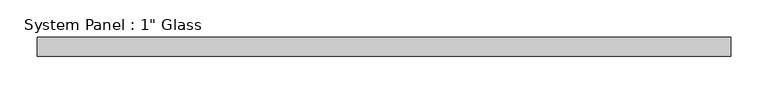
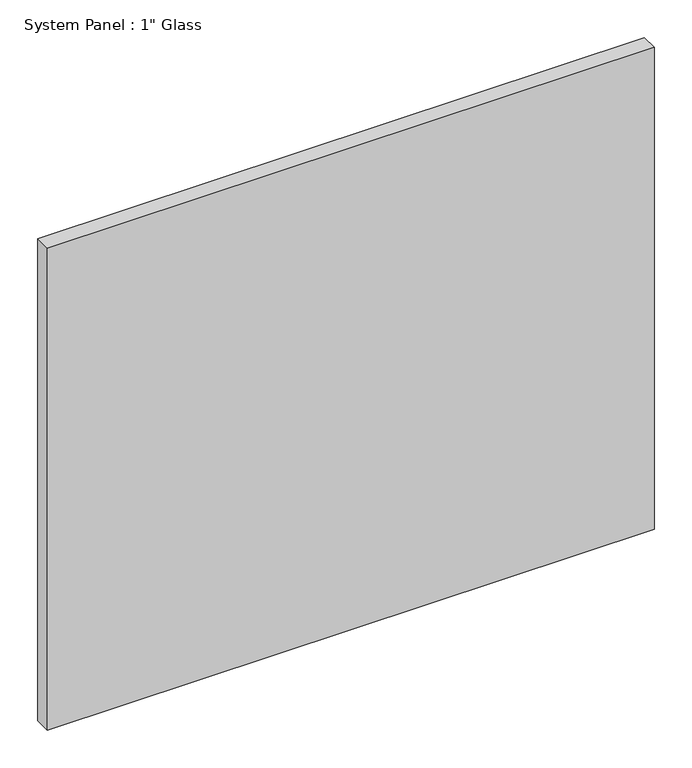
"""IFC4 building model written with IfcOpenShell, lengths in millimetres: plate geometry."""

from ifc_helpers import new_model, si_unit, origin, origin_with_axes, place, context, project, spatial, polyline, outline, extrude, source, transform, mapped, element, save


def plate_9e6ca6df(model_context):
    return source(origin(), model_context, "Body", "SweptSolid", [
        extrude(outline(polyline([(463.1158815, -12.7), (-463.1158815, -12.7), (-463.1158815, 12.7), (463.1158815, 12.7), (463.1158815, -12.7)])), origin_with_axes(), (0.0, 0.0, 1.0), 777.875),
    ])


if __name__ == "__main__":
    model = new_model("IFC4")
    model_context = context("Model", 3, world=origin())
    ifc_project = project(units=[si_unit("LENGTHUNIT", "METRE", prefix="MILLI")], contexts=[model_context])
    site = spatial("IfcSite", under=ifc_project)
    building = spatial("IfcBuilding", under=site)
    placement = place(None, origin())
    plate_shape = plate_9e6ca6df(model_context)
    element("IfcPlate", 1, ObjectType="System Panel : 1\" Glass", at=placement, inside=building, context=model_context, shape_type="MappedRepresentation", body=[
        mapped(plate_shape, transform((0.0, 0.0, 0.0), x_axis=(1.0, 0.0, 0.0), y_axis=(0.0, 1.0, 0.0), z_axis=(0.0, 0.0, 1.0))),
    ])
    save(model, "model.ifc")
